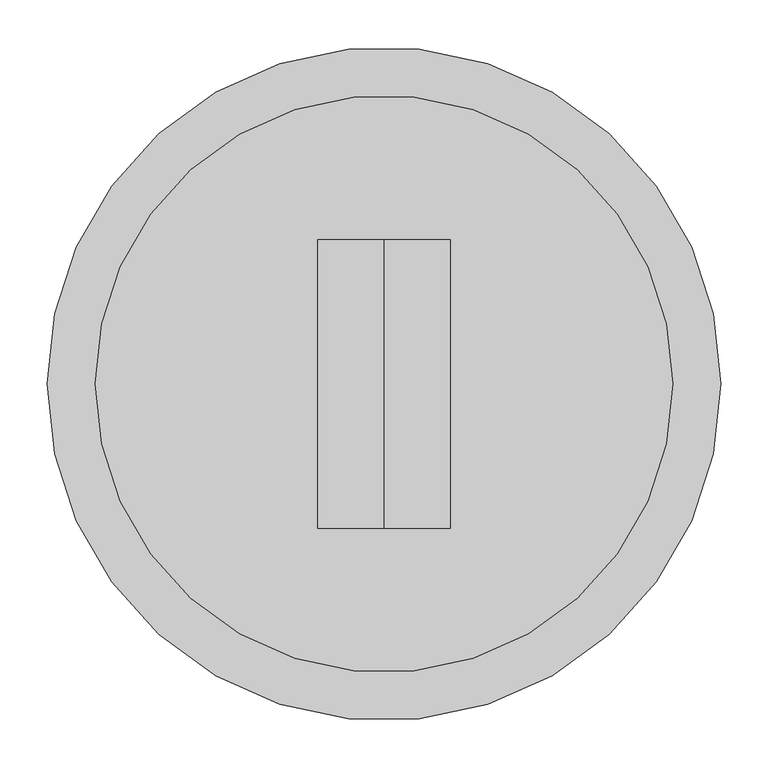
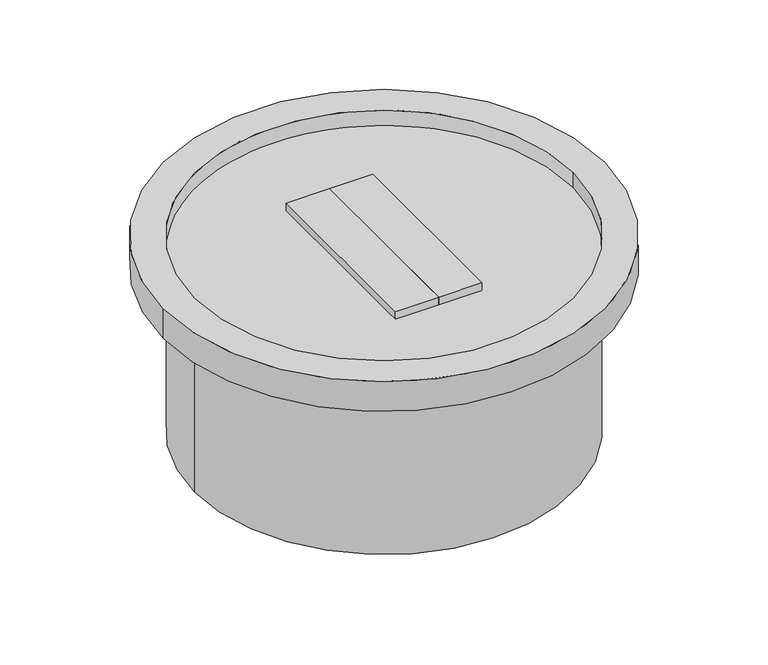
"""IFC4 building model written with IfcOpenShell, lengths in millimetres: proxy geometry."""

from ifc_helpers import new_model, si_unit, point, frame, origin, origin_with_axes, origin_2d, place, context, project, spatial, polyline, circle_curve, trimmed, segment, composite_curve, outline, extrude, source, transform, mapped, element, save


def generic_models_42773149(model_context):
    return source(origin(), model_context, "Body", "SweptSolid", [
        extrude(outline(polyline([(0.0, -152.4), (-69.85, -152.4), (-69.85, 152.4), (0.0, 152.4), (0.0, -152.4)])), frame((0.0, 0.0, 279.4), z_axis=(0.0, 0.0, 1.0), x_axis=(1.0, 0.0, 0.0)), (0.0, 0.0, 1.0), 38.1),
        extrude(outline(polyline([(0.0, -152.4), (0.0, 152.4), (69.85, 152.4), (69.85, -152.4), (0.0, -152.4)])), frame((0.0, 0.0, 279.4), z_axis=(0.0, 0.0, 1.0), x_axis=(1.0, 0.0, 0.0)), (0.0, 0.0, 1.0), 38.1),
        extrude(outline(composite_curve([segment(trimmed(circle_curve(origin_2d(), 304.8), [point((-304.8, 0.0))], [point((304.8, 0.0))], False, "CARTESIAN"), True, "CONTINUOUS"), segment(trimmed(circle_curve(origin_2d(), 304.8), [point((304.8, 0.0))], [point((-304.8, 0.0))], False, "CARTESIAN"), True, "CONTINUOUS")], self_intersect=False)), frame((0.0, 0.0, 279.4), z_axis=(0.0, 0.0, 1.0), x_axis=(1.0, 0.0, 0.0)), (0.0, 0.0, 1.0), 25.4),
        extrude(outline(composite_curve([segment(trimmed(circle_curve(origin_2d(), 355.6), [point((-355.6, 0.0))], [point((355.6, 0.0))], False, "CARTESIAN"), True, "CONTINUOUS"), segment(trimmed(circle_curve(origin_2d(), 355.6), [point((355.6, 0.0))], [point((-355.6, 0.0))], False, "CARTESIAN"), True, "CONTINUOUS")], self_intersect=False), holes=[composite_curve([segment(trimmed(circle_curve(origin_2d(), 304.8), [point((-304.8, 0.0))], [point((304.8, 0.0))], True, "CARTESIAN"), True, "CONTINUOUS"), segment(trimmed(circle_curve(origin_2d(), 304.8), [point((304.8, 0.0))], [point((-304.8, 0.0))], True, "CARTESIAN"), True, "CONTINUOUS")], self_intersect=False)]), frame((0.0, 0.0, 279.4), z_axis=(0.0, 0.0, 1.0), x_axis=(1.0, 0.0, 0.0)), (0.0, 0.0, 1.0), 50.8),
        extrude(outline(composite_curve([segment(trimmed(circle_curve(origin_2d(), 304.8), [point((-304.8, 0.0))], [point((304.8, 0.0))], False, "CARTESIAN"), True, "CONTINUOUS"), segment(trimmed(circle_curve(origin_2d(), 304.8), [point((304.8, 0.0))], [point((-304.8, 0.0))], False, "CARTESIAN"), True, "CONTINUOUS")], self_intersect=False)), origin_with_axes(), (0.0, 0.0, 1.0), 279.4),
    ])


if __name__ == "__main__":
    model = new_model("IFC4")
    model_context = context("Model", 3, world=origin())
    ifc_project = project(units=[si_unit("LENGTHUNIT", "METRE", prefix="MILLI")], contexts=[model_context])
    site = spatial("IfcSite", under=ifc_project)
    building = spatial("IfcBuilding", under=site)
    placement = place(None, origin())
    generic_models_shape = generic_models_42773149(model_context)
    element("IfcBuildingElementProxy", 1, Name="Generic Models", at=placement, inside=building, context=model_context, shape_type="MappedRepresentation", body=[
        mapped(generic_models_shape, transform((0.0, 0.0, 0.0), x_axis=(1.0, 0.0, 0.0), y_axis=(0.0, 1.0, 0.0), z_axis=(0.0, 0.0, 1.0))),
    ])
    save(model, "model.ifc")
